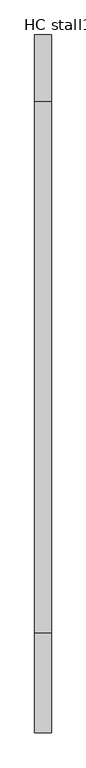
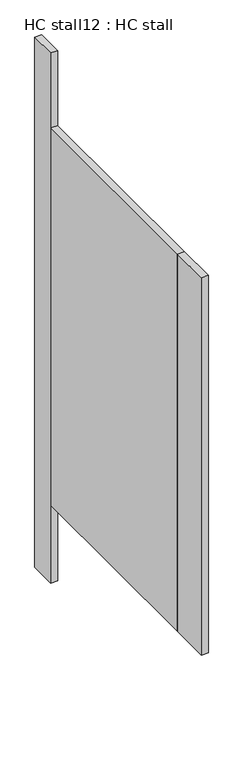
"""IFC4 building model written with IfcOpenShell, lengths in millimetres: proxy geometry, HC stall12 : HC stall."""

from ifc_helpers import new_model, si_unit, frame, origin, origin_with_axes, place, context, project, spatial, polyline, outline, extrude, source, transform, mapped, element, save


def hc_stall12_hc_stall_ca144c06(model_context):
    return source(origin(), model_context, "Body", "SweptSolid", [
        extrude(outline(polyline([(288011.9754676, -252132.3205223), (288011.9754676, -251979.9205223), (288037.3754676, -251979.9205223), (288037.3754676, -252132.3205223), (288011.9754676, -252132.3205223)])), frame((0.0, 0.0, 304.8), z_axis=(0.0, 0.0, 1.0), x_axis=(1.0, 0.0, 0.0)), (0.0, 0.0, 1.0), 1473.2),
        extrude(outline(polyline([(288037.3754676, -251167.1205223), (288011.9754676, -251167.1205223), (288011.9754676, -251065.5205223), (288037.3754676, -251065.5205223), (288037.3754676, -251167.1205223)])), origin_with_axes(), (0.0, 0.0, 1.0), 2070.1),
        extrude(outline(polyline([(288037.3754676, -251979.9205223), (288011.9754676, -251979.9205223), (288011.9754676, -251167.1205223), (288037.3754676, -251167.1205223), (288037.3754676, -251979.9205223)])), frame((0.0, 0.0, 304.8), z_axis=(0.0, 0.0, 1.0), x_axis=(1.0, 0.0, 0.0)), (0.0, 0.0, 1.0), 1473.2),
    ])


if __name__ == "__main__":
    model = new_model("IFC4")
    model_context = context("Model", 3, world=origin())
    ifc_project = project(units=[si_unit("LENGTHUNIT", "METRE", prefix="MILLI")], contexts=[model_context])
    site = spatial("IfcSite", under=ifc_project)
    building = spatial("IfcBuilding", under=site)
    placement = place(None, origin())
    hc_stall12_hc_stall_shape = hc_stall12_hc_stall_ca144c06(model_context)
    element("IfcBuildingElementProxy", 1, Name="HC stall12 : HC stall", ObjectType="HC stall12 : HC stall", at=placement, inside=building, context=model_context, shape_type="MappedRepresentation", body=[
        mapped(hc_stall12_hc_stall_shape, transform((0.0, 0.0, 0.0), x_axis=(1.0, 0.0, 0.0), y_axis=(0.0, 1.0, 0.0), z_axis=(0.0, 0.0, 1.0))),
    ])
    save(model, "model.ifc")
